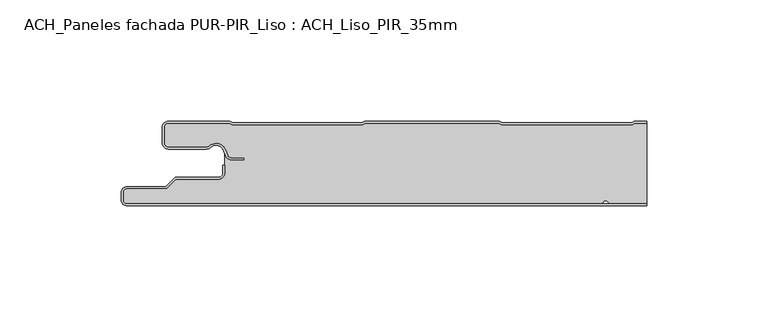
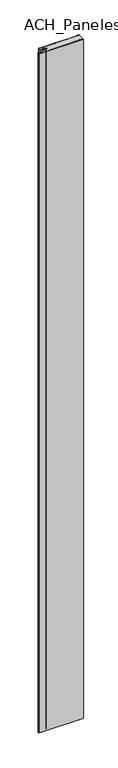
"""IFC4 building model written with IfcOpenShell, lengths in millimetres: plate geometry, ACH_Paneles fachada PUR-PIR_Liso : ACH_Liso_PIR_35mm."""

from ifc_helpers import new_model, si_unit, point, frame_2d, origin, origin_with_axes, place, context, project, spatial, polyline, circle_curve, trimmed, segment, composite_curve, outline, extrude, source, transform, mapped, element, save


def ach_paneles_fachada_pur_pir_liso_ach_liso_pir_35mm_dde1587f(model_context):
    return source(origin(), model_context, "Body", "SweptSolid", [
        extrude(outline(composite_curve([segment(trimmed(circle_curve(frame_2d((-114.5, -32.5)), 2.5), [point((-114.5, -35.0))], [point((-117.0, -32.5))], False, "CARTESIAN"), True, "CONTINUOUS"), segment(polyline([(-117.0, -32.5), (-117.0, -29.5)]), True, "CONTINUOUS"), segment(trimmed(circle_curve(frame_2d((-114.5, -29.5)), 2.5), [point((-117.0, -29.5))], [point((-114.5, -27.0))], False, "CARTESIAN"), True, "CONTINUOUS"), segment(polyline([(-114.5, -27.0), (-98.5, -27.0), (-94.75, -23.25), (-77.0, -23.25)]), True, "CONTINUOUS"), segment(trimmed(circle_curve(frame_2d((-77.0, -21.25)), 2.0), [point((-77.0, -23.25))], [point((-75.0, -21.25))], True, "CARTESIAN"), True, "CONTINUOUS"), segment(polyline([(-75.0, -21.25), (-75.0, -18.25), (-74.2, -18.25), (-74.2, -21.25)]), True, "CONTINUOUS"), segment(trimmed(circle_curve(frame_2d((-77.0, -21.25)), 2.8), [point((-74.2, -21.25))], [point((-77.0, -24.05))], False, "CARTESIAN"), True, "CONTINUOUS"), segment(polyline([(-77.0, -24.05), (-94.4186292, -24.05), (-98.1686292, -27.8), (-114.5, -27.8)]), True, "CONTINUOUS"), segment(trimmed(circle_curve(frame_2d((-114.5, -29.5)), 1.7), [point((-114.5, -27.8))], [point((-116.2, -29.5))], True, "CARTESIAN"), True, "CONTINUOUS"), segment(polyline([(-116.2, -29.5), (-116.2, -32.5)]), True, "CONTINUOUS"), segment(trimmed(circle_curve(frame_2d((-114.5, -32.5)), 1.7), [point((-116.2, -32.5))], [point((-114.5, -34.2))], True, "CARTESIAN"), True, "CONTINUOUS"), segment(polyline([(-114.5, -34.2), (100.0, -34.2), (100.0, -35.0), (-114.5, -35.0)]), True, "CONTINUOUS")], self_intersect=False)), origin_with_axes(), (0.0, 0.0, 1.0), 3500.0),
        extrude(outline(composite_curve([segment(trimmed(circle_curve(frame_2d((-97.49499, -9.0180361)), 2.50501), [point((-97.49499, -11.5230461))], [point((-100.0, -9.0180361))], False, "CARTESIAN"), True, "CONTINUOUS"), segment(polyline([(-100.0, -9.0180361), (-100.0, -2.50501)]), True, "CONTINUOUS"), segment(trimmed(circle_curve(frame_2d((-97.49499, -2.50501)), 2.50501), [point((-100.0, -2.50501))], [point((-97.49499, 0.0))], False, "CARTESIAN"), True, "CONTINUOUS"), segment(polyline([(-97.49499, 0.0), (-72.2103007, 0.0), (-71.028188, -0.6012024), (-17.6391467, -0.6012024), (-16.457034, 0.0), (39.1223647, 0.0), (40.3044773, -0.6012024), (93.6935186, -0.6012024), (94.8756313, 0.0), (100.0, 0.0), (100.0, -0.8), (95.0673777, -0.8), (93.885265, -1.4012024), (40.112731, -1.4012024), (38.9306183, -0.8), (-16.2652876, -0.8), (-17.4474003, -1.4012024), (-71.2199344, -1.4012024), (-72.4020471, -0.8), (-97.49499, -0.8)]), True, "CONTINUOUS"), segment(trimmed(circle_curve(frame_2d((-97.49499, -2.50501)), 1.70501), [point((-97.49499, -0.8))], [point((-99.2, -2.50501))], True, "CARTESIAN"), True, "CONTINUOUS"), segment(polyline([(-99.2, -2.50501), (-99.2, -9.0180361)]), True, "CONTINUOUS"), segment(trimmed(circle_curve(frame_2d((-97.49499, -9.0180361)), 1.70501), [point((-99.2, -9.0180361))], [point((-97.49499, -10.7230461))], True, "CARTESIAN"), True, "CONTINUOUS"), segment(polyline([(-97.49499, -10.7230461), (-81.8173283, -10.7230461)]), True, "CONTINUOUS"), segment(trimmed(circle_curve(frame_2d((-81.8173283, -9.0180361)), 1.70501), [point((-81.8173283, -10.7230461))], [point((-80.6895701, -10.2967936))], True, "CARTESIAN"), True, "CONTINUOUS"), segment(trimmed(circle_curve(frame_2d((-77.8407481, -13.5270541)), 4.307014), [point((-80.6895701, -10.2967936))], [point((-73.7934788, -12.0539686))], False, "CARTESIAN"), True, "CONTINUOUS"), segment(polyline([(-73.7934788, -12.0539686), (-73.0450711, -14.1102019)]), True, "CONTINUOUS"), segment(trimmed(circle_curve(frame_2d((-71.4428858, -13.5270541)), 1.70501), [point((-73.0450711, -14.1102019))], [point((-71.4428858, -15.2320641))], True, "CARTESIAN"), True, "CONTINUOUS"), segment(polyline([(-71.4428858, -15.2320641), (-66.4328657, -15.2320641), (-66.4328657, -16.0320641), (-71.4428858, -16.0320641)]), True, "CONTINUOUS"), segment(trimmed(circle_curve(frame_2d((-71.4428858, -13.5270541)), 2.50501), [point((-71.4428858, -16.0320641))], [point((-73.7968252, -14.383818))], False, "CARTESIAN"), True, "CONTINUOUS"), segment(polyline([(-73.7968252, -14.383818), (-74.5452329, -12.3275847)]), True, "CONTINUOUS"), segment(trimmed(circle_curve(frame_2d((-77.8407481, -13.5270541)), 3.507014), [point((-74.5452329, -12.3275847))], [point((-80.1604199, -10.8967936))], True, "CARTESIAN"), True, "CONTINUOUS"), segment(trimmed(circle_curve(frame_2d((-81.8173283, -9.0180361)), 2.50501), [point((-80.1604199, -10.8967936))], [point((-81.8173283, -11.5230461))], False, "CARTESIAN"), True, "CONTINUOUS"), segment(polyline([(-81.8173283, -11.5230461), (-97.49499, -11.5230461)]), True, "CONTINUOUS")], self_intersect=False)), origin_with_axes(), (0.0, 0.0, 1.0), 3500.0),
        extrude(outline(composite_curve([segment(trimmed(circle_curve(frame_2d((85.5, -32.5)), 1.7), [point((85.5, -34.2))], [point((84.0845596, -33.4415563))], False, "CARTESIAN"), True, "CONTINUOUS"), segment(trimmed(circle_curve(frame_2d((83.0, -34.1630095)), 1.302599), [point((84.0845596, -33.4415563))], [point((81.9154404, -33.4415563))], True, "CARTESIAN"), True, "CONTINUOUS"), segment(trimmed(circle_curve(frame_2d((80.5, -32.5)), 1.7), [point((81.9154404, -33.4415563))], [point((80.5, -34.2))], False, "CARTESIAN"), True, "CONTINUOUS"), segment(polyline([(80.5, -34.2), (-114.5, -34.2)]), True, "CONTINUOUS"), segment(trimmed(circle_curve(frame_2d((-114.5, -32.5)), 1.7), [point((-114.5, -34.2))], [point((-116.2, -32.5))], False, "CARTESIAN"), True, "CONTINUOUS"), segment(polyline([(-116.2, -32.5), (-116.2, -29.5)]), True, "CONTINUOUS"), segment(trimmed(circle_curve(frame_2d((-114.5, -29.5)), 1.7), [point((-116.2, -29.5))], [point((-114.5, -27.8))], False, "CARTESIAN"), True, "CONTINUOUS"), segment(polyline([(-114.5, -27.8), (-98.1686292, -27.8), (-94.4186292, -24.05), (-77.0, -24.05)]), True, "CONTINUOUS"), segment(trimmed(circle_curve(frame_2d((-77.0, -21.25)), 2.8), [point((-77.0, -24.05))], [point((-74.2, -21.25))], True, "CARTESIAN"), True, "CONTINUOUS"), segment(polyline([(-74.2, -21.25), (-74.2, -11.2258973)]), True, "CONTINUOUS"), segment(trimmed(circle_curve(frame_2d((-77.8407481, -13.5270541)), 4.307014), [point((-74.2, -11.2258973))], [point((-80.6895701, -10.2967936))], True, "CARTESIAN"), True, "CONTINUOUS"), segment(trimmed(circle_curve(frame_2d((-81.8173283, -9.0180361)), 1.70501), [point((-80.6895701, -10.2967936))], [point((-81.8173283, -10.7230461))], False, "CARTESIAN"), True, "CONTINUOUS"), segment(polyline([(-81.8173283, -10.7230461), (-97.49499, -10.7230461)]), True, "CONTINUOUS"), segment(trimmed(circle_curve(frame_2d((-97.49499, -9.0180361)), 1.70501), [point((-97.49499, -10.7230461))], [point((-99.2, -9.0180361))], False, "CARTESIAN"), True, "CONTINUOUS"), segment(polyline([(-99.2, -9.0180361), (-99.2, -2.50501)]), True, "CONTINUOUS"), segment(trimmed(circle_curve(frame_2d((-97.49499, -2.50501)), 1.70501), [point((-99.2, -2.50501))], [point((-97.49499, -0.8))], False, "CARTESIAN"), True, "CONTINUOUS"), segment(polyline([(-97.49499, -0.8), (-72.4020471, -0.8), (-71.2199344, -1.4012024), (-17.4474003, -1.4012024), (-16.2652876, -0.8), (38.9306183, -0.8), (40.112731, -1.4012024), (93.885265, -1.4012024), (95.0673777, -0.8), (100.0, -0.8), (100.0, -34.2), (85.5, -34.2)]), True, "CONTINUOUS")], self_intersect=False)), origin_with_axes(), (0.0, 0.0, 1.0), 3500.0),
    ])


if __name__ == "__main__":
    model = new_model("IFC4")
    model_context = context("Model", 3, world=origin())
    ifc_project = project(units=[si_unit("LENGTHUNIT", "METRE", prefix="MILLI")], contexts=[model_context])
    site = spatial("IfcSite", under=ifc_project)
    building = spatial("IfcBuilding", under=site)
    placement = place(None, origin())
    ach_paneles_fachada_pur_pir_liso_ach_liso_pir_35mm_shape = ach_paneles_fachada_pur_pir_liso_ach_liso_pir_35mm_dde1587f(model_context)
    element("IfcPlate", 1, ObjectType="ACH_Paneles fachada PUR-PIR_Liso : ACH_Liso_PIR_35mm", at=placement, inside=building, context=model_context, shape_type="MappedRepresentation", body=[
        mapped(ach_paneles_fachada_pur_pir_liso_ach_liso_pir_35mm_shape, transform((0.0, 0.0, 0.0), x_axis=(1.0, 0.0, 0.0), y_axis=(0.0, 1.0, 0.0), z_axis=(0.0, 0.0, 1.0))),
    ])
    save(model, "model.ifc")
